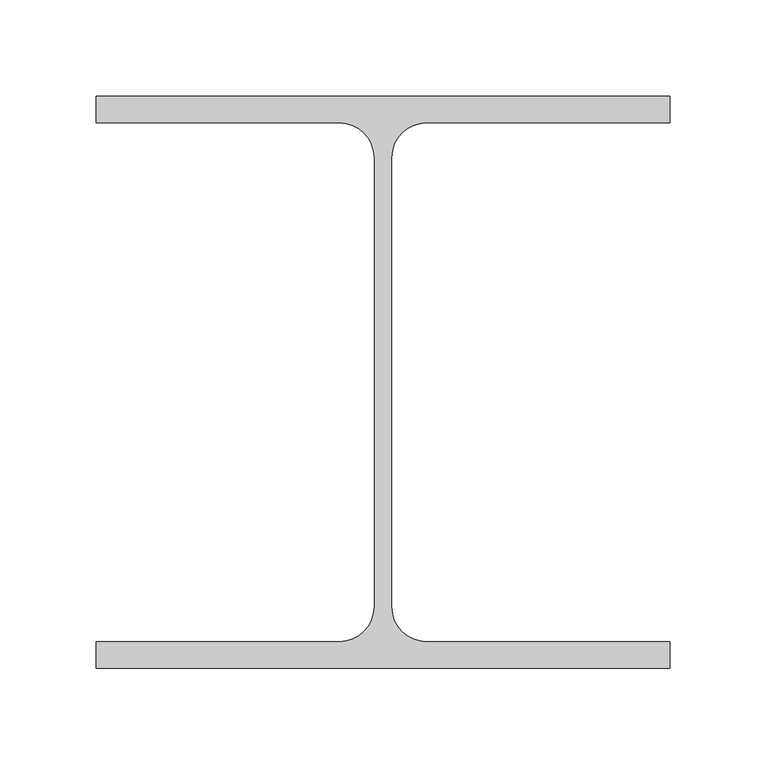
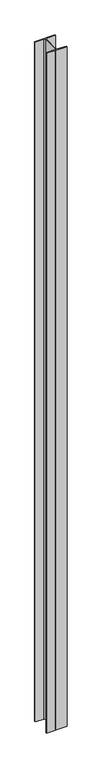
"""IFC4 building model written with IfcOpenShell, lengths in millimetres: column geometry."""

from ifc_helpers import new_model, si_unit, point, frame, frame_2d, origin, place, context, project, spatial, polyline, circle_curve, trimmed, segment, composite_curve, outline, extrude, source, transform, mapped, element, save


def column_e6bdc371(model_context):
    return source(origin(), model_context, "Body", "SweptSolid", [
        extrude(outline(composite_curve([segment(polyline([(-149.5, 134.5), (-149.5, 148.5), (149.5, 148.5), (149.5, 134.5), (22.5, 134.5)]), True, "CONTINUOUS"), segment(trimmed(circle_curve(frame_2d((22.5, 116.5)), 18.0), [point((22.5, 134.5))], [point((4.5, 116.5))], True, "CARTESIAN"), True, "CONTINUOUS"), segment(polyline([(4.5, 116.5), (4.5, -117.5)]), True, "CONTINUOUS"), segment(trimmed(circle_curve(frame_2d((22.5, -117.5)), 18.0), [point((4.5, -117.5))], [point((22.5, -135.5))], True, "CARTESIAN"), True, "CONTINUOUS"), segment(polyline([(22.5, -135.5), (149.5, -135.5), (149.5, -149.5), (-149.5, -149.5), (-149.5, -135.5), (-22.5, -135.5)]), True, "CONTINUOUS"), segment(trimmed(circle_curve(frame_2d((-22.5, -117.5)), 18.0), [point((-22.5, -135.5))], [point((-4.5, -117.5))], True, "CARTESIAN"), True, "CONTINUOUS"), segment(polyline([(-4.5, -117.5), (-4.5, 116.5)]), True, "CONTINUOUS"), segment(trimmed(circle_curve(frame_2d((-22.5, 116.5)), 18.0), [point((-4.5, 116.5))], [point((-22.5, 134.5))], True, "CARTESIAN"), True, "CONTINUOUS"), segment(polyline([(-22.5, 134.5), (-149.5, 134.5)]), True, "CONTINUOUS")], self_intersect=False)), frame((0.0, 0.0, -500.0), z_axis=(0.0, 0.0, 1.0), x_axis=(1.0, 0.0, 0.0)), (0.0, 0.0, 1.0), 10500.0),
    ])


if __name__ == "__main__":
    model = new_model("IFC4")
    model_context = context("Model", 3, world=origin())
    ifc_project = project(units=[si_unit("LENGTHUNIT", "METRE", prefix="MILLI")], contexts=[model_context])
    site = spatial("IfcSite", under=ifc_project)
    building = spatial("IfcBuilding", under=site)
    placement = place(None, origin())
    column_shape = column_e6bdc371(model_context)
    element("IfcColumn", 1, at=placement, inside=building, context=model_context, shape_type="MappedRepresentation", body=[
        mapped(column_shape, transform((0.0, 0.0, 0.0), x_axis=(1.0, 0.0, 0.0), y_axis=(0.0, 1.0, 0.0), z_axis=(0.0, 0.0, 1.0))),
    ])
    save(model, "model.ifc")
